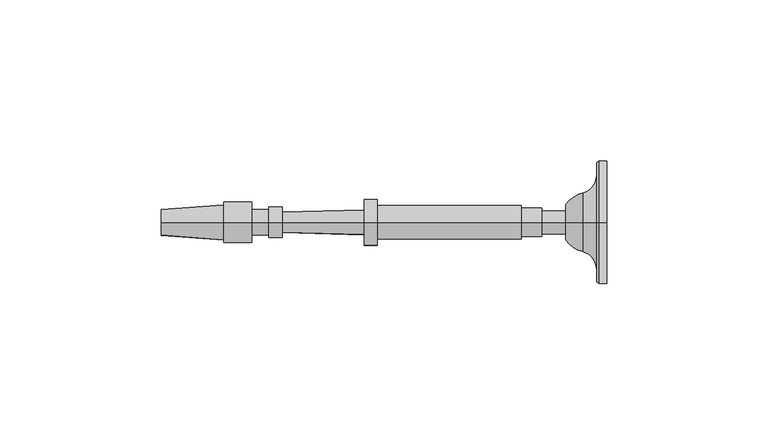
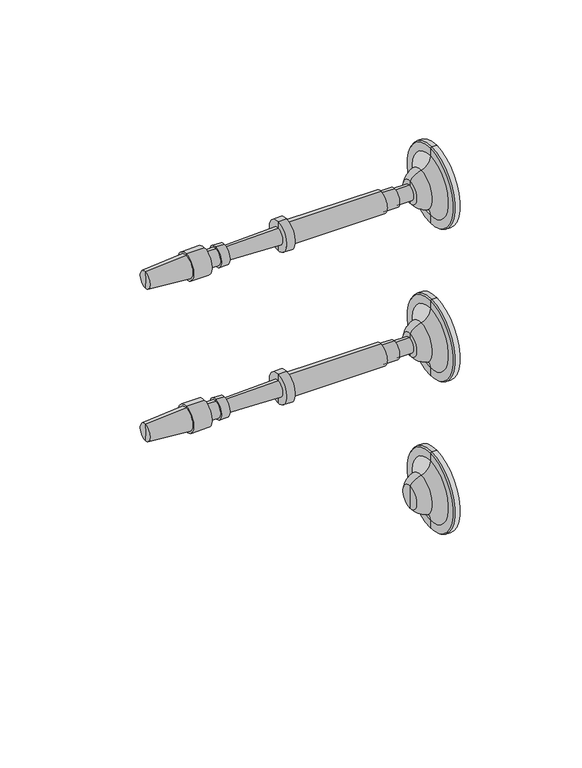
"""IFC4 building model written with IfcOpenShell, lengths in millimetres: railing geometry."""

from ifc_helpers import new_model, si_unit, point, frame, origin, place, context, project, spatial, polyline, circle_curve, ellipse_curve, trimmed, source, transform, mapped, element, save
from ifc_brep_helpers import plane_surface, cylinder_surface, revolved_surface, advanced_brep


def railing_44fb17b9(model_context):
    return source(origin(), model_context, "Body", "AdvancedBrep", [
        advanced_brep(
        [(4045.1015906, 20313.0866843, 32915.0001631), (4045.1015906, 20313.0866843, 32895.9501631), (4045.1015906, 20313.0866843, 32934.0501631), (4032.408954, 20313.0866843, 32909.4769785), (4032.408954, 20313.0866843, 32915.0001631), (4032.408954, 20313.0866843, 32920.5233478), (4037.6850504, 20313.0866843, 32905.8720381), (4037.6850504, 20313.0866843, 32924.1282881), (4042.0506754, 20313.0866843, 32900.2458254), (4042.0506754, 20313.0866843, 32929.7545009), (4042.0506754, 20313.0866843, 32896.3762941), (4042.0506754, 20313.0866843, 32933.6240321), (4042.7203406, 20313.0866843, 32895.9501631), (4042.7203406, 20313.0866843, 32934.0501631)],
        [
            (0, 1),
            (1, 2, circle_curve(frame((4045.1015906, 20313.0866843, 32915.0001631), z_axis=(1.0, 0.0, 0.0), x_axis=(0.0, 0.0, 1.0)), 19.05)),
            (2, 0),
            (2, 1, circle_curve(frame((4045.1015906, 20313.0866843, 32915.0001631), z_axis=(1.0, 0.0, 0.0), x_axis=(0.0, 0.0, 1.0)), 19.05)),
            (3, 4),
            (4, 5),
            (5, 3, circle_curve(frame((4032.408954, 20313.0866843, 32915.0001631), z_axis=(-1.0, 0.0, 0.0), x_axis=(0.0, 0.0, 1.0)), 5.5231846)),
            (3, 5, circle_curve(frame((4032.408954, 20313.0866843, 32915.0001631), z_axis=(-1.0, 0.0, 0.0), x_axis=(0.0, 0.0, 1.0)), 5.5231846)),
            (6, 3, circle_curve(frame((4040.0094591, 20313.0866843, 32914.9374304), z_axis=(0.0, 1.0, 0.0), x_axis=(-1.0, 0.0, 0.0)), 9.3586438)),
            (5, 7, circle_curve(frame((4040.0094591, 20313.0866843, 32915.0628958), z_axis=(0.0, 1.0, 0.0), x_axis=(-1.0, 0.0, 0.0)), 9.3586438)),
            (7, 6, circle_curve(frame((4037.6850504, 20313.0866843, 32915.0001631), z_axis=(-1.0, 0.0, 0.0), x_axis=(0.0, 0.0, 1.0)), 9.128125)),
            (6, 7, circle_curve(frame((4037.6850504, 20313.0866843, 32915.0001631), z_axis=(-1.0, 0.0, 0.0), x_axis=(0.0, 0.0, 1.0)), 9.128125)),
            (8, 6, circle_curve(frame((4036.2424634, 20313.0866843, 32900.2458254), z_axis=(0.0, -1.0, 0.0), x_axis=(-1.0, 0.0, 0.0)), 5.8082121)),
            (7, 9, circle_curve(frame((4036.2424634, 20313.0866843, 32929.7545009), z_axis=(0.0, -1.0, 0.0), x_axis=(-1.0, 0.0, 0.0)), 5.8082121)),
            (9, 8, circle_curve(frame((4042.0506754, 20313.0866843, 32915.0001631), z_axis=(-1.0, 0.0, 0.0), x_axis=(0.0, 0.0, 1.0)), 14.7543378)),
            (8, 9, circle_curve(frame((4042.0506754, 20313.0866843, 32915.0001631), z_axis=(-1.0, 0.0, 0.0), x_axis=(0.0, 0.0, 1.0)), 14.7543378)),
            (10, 8),
            (9, 11),
            (11, 10, circle_curve(frame((4042.0506754, 20313.0866843, 32915.0001631), z_axis=(-1.0, 0.0, 0.0), x_axis=(0.0, 0.0, 1.0)), 18.623869)),
            (10, 11, circle_curve(frame((4042.0506754, 20313.0866843, 32915.0001631), z_axis=(-1.0, 0.0, 0.0), x_axis=(0.0, 0.0, 1.0)), 18.623869)),
            (12, 10),
            (11, 13),
            (13, 12, circle_curve(frame((4042.7203406, 20313.0866843, 32915.0001631), z_axis=(-1.0, 0.0, 0.0), x_axis=(0.0, 0.0, 1.0)), 19.05)),
            (12, 13, circle_curve(frame((4042.7203406, 20313.0866843, 32915.0001631), z_axis=(-1.0, 0.0, 0.0), x_axis=(0.0, 0.0, 1.0)), 19.05)),
            (1, 12),
            (13, 2),
        ],
        [
            plane_surface(frame((4045.1015906, 20313.0866843, 32915.0001631), z_axis=(1.0, 0.0, 0.0), x_axis=(0.0, 0.0, 1.0))),
            plane_surface(frame((4032.408954, 20313.0866843, 32915.0001631), z_axis=(-1.0, 0.0, 0.0), x_axis=(0.0, 0.0, 1.0))),
            revolved_surface(trimmed(ellipse_curve(frame((4040.0094591, 20313.0866843, 32915.0628958), z_axis=(0.0, 1.0, 0.0), x_axis=(-1.0, 0.0, 0.0)), 9.3586438, 9.3586438), [point((4032.408954, 20313.0866843, 32920.5233478))], [point((4037.6850504, 20313.0866843, 32924.1282881))], True, "CARTESIAN"), (4045.1015906, 20313.0866843, 32915.0001631), (1.0, 0.0, 0.0)),
            revolved_surface(trimmed(ellipse_curve(frame((4036.2424634, 20313.0866843, 32929.7545009), z_axis=(0.0, -1.0, 0.0), x_axis=(-1.0, 0.0, 0.0)), 5.8082121, 5.8082121), [point((4037.6850504, 20313.0866843, 32924.1282881))], [point((4042.0506754, 20313.0866843, 32929.7545009))], True, "CARTESIAN"), (4045.1015906, 20313.0866843, 32915.0001631), (1.0, 0.0, 0.0)),
            plane_surface(frame((4042.0506754, 20313.0866843, 32915.0001631), z_axis=(-1.0, 0.0, 0.0), x_axis=(0.0, 0.0, 1.0))),
            revolved_surface(polyline([(4042.0506754, 20313.0866843, 32933.6240321), (4042.7203406, 20313.0866843, 32934.0501631)]), (4045.1015906, 20313.0866843, 32915.0001631), (1.0, 0.0, 0.0)),
            cylinder_surface(frame((4045.1015906, 20313.0866843, 32915.0001631), z_axis=(1.0, 0.0, 0.0), x_axis=(0.0, 0.0, 1.0)), 19.05),
        ],
        [
            (0, [[1, 2, 3]]),
            (0, [[-3, 4, -1]]),
            (1, [[5, 6, 7]]),
            (1, [[-6, -5, 8]]),
            (2, [[9, -7, 10, 11]]),
            (2, [[-10, -8, -9, 12]]),
            (3, [[13, -11, 14, 15]]),
            (3, [[-14, -12, -13, 16]]),
            (4, [[17, -15, 18, 19]]),
            (4, [[-18, -16, -17, 20]]),
            (5, [[21, -19, 22, 23]]),
            (5, [[-22, -20, -21, 24]]),
            (6, [[25, -23, 26, -2]]),
            (6, [[-26, -24, -25, -4]]),
        ],
    ),
        advanced_brep(
        [(4032.408954, 20313.0866843, 32911.4282881), (4032.408954, 20313.0866843, 32918.5720381), (4032.408954, 20313.0866843, 32915.0001631), (3907.4650648, 20313.0866843, 32915.0001631), (3907.1694004, 20313.0866843, 32919.0246235), (3907.1694004, 20313.0866843, 32910.9757028), (3926.5127644, 20313.0866843, 32920.445719), (3926.5127644, 20313.0866843, 32909.5546072), (3926.5127644, 20313.0866843, 32921.3386877), (3926.5127644, 20313.0866843, 32908.6616385), (3935.1447956, 20313.0866843, 32921.3386877), (3935.1447956, 20313.0866843, 32908.6616385), (3935.1447956, 20313.0866843, 32918.9574377), (3935.1447956, 20313.0866843, 32911.0428885), (3940.5026081, 20313.0866843, 32918.9574377), (3940.5026081, 20313.0866843, 32911.0428885), (3940.5026081, 20313.0866843, 32919.7511877), (3940.5026081, 20313.0866843, 32910.2491385), (3944.5705769, 20313.0866843, 32919.7511877), (3944.5705769, 20313.0866843, 32910.2491385), (3944.614664, 20313.0866843, 32918.1643), (3944.614664, 20313.0866843, 32911.8360262), (3970.0048672, 20313.0866843, 32918.8696944), (3970.0048672, 20313.0866843, 32911.1306319), (3970.0048672, 20313.0866843, 32922.1439131), (3970.0048672, 20313.0866843, 32907.8564131), (3973.9736172, 20313.0866843, 32922.1439131), (3973.9736172, 20313.0866843, 32907.8564131), (3973.9736172, 20313.0866843, 32920.1595381), (3973.9736172, 20313.0866843, 32909.8407881), (4018.7212735, 20313.0866843, 32920.1595381), (4018.7212735, 20313.0866843, 32909.8407881), (4018.7212735, 20313.0866843, 32919.3657881), (4018.7212735, 20313.0866843, 32910.6345381), (4025.0712735, 20313.0866843, 32919.3657881), (4025.0712735, 20313.0866843, 32910.6345381), (4025.0712735, 20313.0866843, 32918.5720381), (4025.0712735, 20313.0866843, 32911.4282881)],
        [
            (0, 1, circle_curve(frame((4032.408954, 20313.0866843, 32915.0001631), z_axis=(1.0, 0.0, 0.0), x_axis=(0.0, 0.0, 1.0000000000000002)), 3.571875)),
            (1, 2),
            (2, 0),
            (1, 0, circle_curve(frame((4032.408954, 20313.0866843, 32915.0001631), z_axis=(1.0, 0.0, 0.0), x_axis=(0.0, 0.0, 1.0000000000000002)), 3.571875)),
            (3, 4),
            (4, 5, circle_curve(frame((3907.1694004, 20313.0866843, 32915.0001631), z_axis=(-1.0, 0.0, 0.0), x_axis=(0.0, 0.0, 1.0000000000000002)), 4.0244604)),
            (5, 3),
            (5, 4, circle_curve(frame((3907.1694004, 20313.0866843, 32915.0001631), z_axis=(-1.0, 0.0, 0.0), x_axis=(0.0, 0.0, 1.0000000000000002)), 4.0244604)),
            (4, 6),
            (6, 7, circle_curve(frame((3926.5127644, 20313.0866843, 32915.0001631), z_axis=(-1.0, 0.0, 0.0), x_axis=(0.0, 0.0, 1.0000000000000002)), 5.4455559)),
            (7, 5),
            (7, 6, circle_curve(frame((3926.5127644, 20313.0866843, 32915.0001631), z_axis=(-1.0, 0.0, 0.0), x_axis=(0.0, 0.0, 1.0000000000000002)), 5.4455559)),
            (6, 8),
            (8, 9, circle_curve(frame((3926.5127644, 20313.0866843, 32915.0001631), z_axis=(-1.0, 0.0, 0.0), x_axis=(0.0, 0.0, 1.0000000000000002)), 6.3385246)),
            (9, 7),
            (9, 8, circle_curve(frame((3926.5127644, 20313.0866843, 32915.0001631), z_axis=(-1.0, 0.0, 0.0), x_axis=(0.0, 0.0, 1.0000000000000002)), 6.3385246)),
            (8, 10),
            (10, 11, circle_curve(frame((3935.1447956, 20313.0866843, 32915.0001631), z_axis=(-1.0, 0.0, 0.0), x_axis=(0.0, 0.0, 1.0000000000000002)), 6.3385246)),
            (11, 9),
            (11, 10, circle_curve(frame((3935.1447956, 20313.0866843, 32915.0001631), z_axis=(-1.0, 0.0, 0.0), x_axis=(0.0, 0.0, 1.0000000000000002)), 6.3385246)),
            (10, 12),
            (12, 13, circle_curve(frame((3935.1447956, 20313.0866843, 32915.0001631), z_axis=(-1.0, 0.0, 0.0), x_axis=(0.0, 0.0, 1.0000000000000002)), 3.9572746)),
            (13, 11),
            (13, 12, circle_curve(frame((3935.1447956, 20313.0866843, 32915.0001631), z_axis=(-1.0, 0.0, 0.0), x_axis=(0.0, 0.0, 1.0000000000000002)), 3.9572746)),
            (12, 14),
            (14, 15, circle_curve(frame((3940.5026081, 20313.0866843, 32915.0001631), z_axis=(-1.0, 0.0, 0.0), x_axis=(0.0, 0.0, 1.0000000000000002)), 3.9572746)),
            (15, 13),
            (15, 14, circle_curve(frame((3940.5026081, 20313.0866843, 32915.0001631), z_axis=(-1.0, 0.0, 0.0), x_axis=(0.0, 0.0, 1.0000000000000002)), 3.9572746)),
            (14, 16),
            (16, 17, circle_curve(frame((3940.5026081, 20313.0866843, 32915.0001631), z_axis=(-1.0, 0.0, 0.0), x_axis=(0.0, 0.0, 1.0000000000000002)), 4.7510246)),
            (17, 15),
            (17, 16, circle_curve(frame((3940.5026081, 20313.0866843, 32915.0001631), z_axis=(-1.0, 0.0, 0.0), x_axis=(0.0, 0.0, 1.0000000000000002)), 4.7510246)),
            (16, 18),
            (18, 19, circle_curve(frame((3944.5705769, 20313.0866843, 32915.0001631), z_axis=(-1.0, 0.0, 0.0), x_axis=(0.0, 0.0, 1.0000000000000002)), 4.7510246)),
            (19, 17),
            (19, 18, circle_curve(frame((3944.5705769, 20313.0866843, 32915.0001631), z_axis=(-1.0, 0.0, 0.0), x_axis=(0.0, 0.0, 1.0000000000000002)), 4.7510246)),
            (18, 20),
            (20, 21, circle_curve(frame((3944.614664, 20313.0866843, 32915.0001631), z_axis=(-1.0, 0.0, 0.0), x_axis=(0.0, 0.0, 1.0000000000000002)), 3.1641369)),
            (21, 19),
            (21, 20, circle_curve(frame((3944.614664, 20313.0866843, 32915.0001631), z_axis=(-1.0, 0.0, 0.0), x_axis=(0.0, 0.0, 1.0000000000000002)), 3.1641369)),
            (20, 22),
            (22, 23, circle_curve(frame((3970.0048672, 20313.0866843, 32915.0001631), z_axis=(-1.0, 0.0, 0.0), x_axis=(0.0, 0.0, 1.0000000000000002)), 3.8695313)),
            (23, 21),
            (23, 22, circle_curve(frame((3970.0048672, 20313.0866843, 32915.0001631), z_axis=(-1.0, 0.0, 0.0), x_axis=(0.0, 0.0, 1.0000000000000002)), 3.8695313)),
            (22, 24),
            (24, 25, circle_curve(frame((3970.0048672, 20313.0866843, 32915.0001631), z_axis=(-1.0, 0.0, 0.0), x_axis=(0.0, 0.0, 1.0000000000000002)), 7.14375)),
            (25, 23),
            (25, 24, circle_curve(frame((3970.0048672, 20313.0866843, 32915.0001631), z_axis=(-1.0, 0.0, 0.0), x_axis=(0.0, 0.0, 1.0000000000000002)), 7.14375)),
            (24, 26),
            (26, 27, circle_curve(frame((3973.9736172, 20313.0866843, 32915.0001631), z_axis=(-1.0, 0.0, 0.0), x_axis=(0.0, 0.0, 1.0000000000000002)), 7.14375)),
            (27, 25),
            (27, 26, circle_curve(frame((3973.9736172, 20313.0866843, 32915.0001631), z_axis=(-1.0, 0.0, 0.0), x_axis=(0.0, 0.0, 1.0000000000000002)), 7.14375)),
            (26, 28),
            (28, 29, circle_curve(frame((3973.9736172, 20313.0866843, 32915.0001631), z_axis=(-1.0, 0.0, 0.0), x_axis=(0.0, 0.0, 1.0000000000000002)), 5.159375)),
            (29, 27),
            (29, 28, circle_curve(frame((3973.9736172, 20313.0866843, 32915.0001631), z_axis=(-1.0, 0.0, 0.0), x_axis=(0.0, 0.0, 1.0000000000000002)), 5.159375)),
            (28, 30),
            (30, 31, circle_curve(frame((4018.7212735, 20313.0866843, 32915.0001631), z_axis=(-1.0, 0.0, 0.0), x_axis=(0.0, 0.0, 1.0000000000000002)), 5.159375)),
            (31, 29),
            (31, 30, circle_curve(frame((4018.7212735, 20313.0866843, 32915.0001631), z_axis=(-1.0, 0.0, 0.0), x_axis=(0.0, 0.0, 1.0000000000000002)), 5.159375)),
            (30, 32),
            (32, 33, circle_curve(frame((4018.7212735, 20313.0866843, 32915.0001631), z_axis=(-1.0, 0.0, 0.0), x_axis=(0.0, 0.0, 1.0000000000000002)), 4.365625)),
            (33, 31),
            (33, 32, circle_curve(frame((4018.7212735, 20313.0866843, 32915.0001631), z_axis=(-1.0, 0.0, 0.0), x_axis=(0.0, 0.0, 1.0000000000000002)), 4.365625)),
            (32, 34),
            (34, 35, circle_curve(frame((4025.0712735, 20313.0866843, 32915.0001631), z_axis=(-1.0, 0.0, 0.0), x_axis=(0.0, 0.0, 1.0000000000000002)), 4.365625)),
            (35, 33),
            (35, 34, circle_curve(frame((4025.0712735, 20313.0866843, 32915.0001631), z_axis=(-1.0, 0.0, 0.0), x_axis=(0.0, 0.0, 1.0000000000000002)), 4.365625)),
            (34, 36),
            (36, 37, circle_curve(frame((4025.0712735, 20313.0866843, 32915.0001631), z_axis=(-1.0, 0.0, 0.0), x_axis=(0.0, 0.0, 1.0000000000000002)), 3.571875)),
            (37, 35),
            (37, 36, circle_curve(frame((4025.0712735, 20313.0866843, 32915.0001631), z_axis=(-1.0, 0.0, 0.0), x_axis=(0.0, 0.0, 1.0000000000000002)), 3.571875)),
            (36, 1),
            (0, 37),
        ],
        [
            plane_surface(frame((4032.408954, 20313.0866843, 32915.0001631), z_axis=(1.0, 0.0, 0.0), x_axis=(0.0, 0.0, 1.0))),
            revolved_surface(polyline([(3907.1694004, 20313.0866843, 32919.0246235), (3907.4650648, 20313.0866843, 32915.0001631)]), (3907.4650648, 20313.0866843, 32915.0001631), (-1.0, 0.0, 0.0)),
            revolved_surface(polyline([(3926.5127644, 20313.0866843, 32920.445719), (3907.1694004, 20313.0866843, 32919.0246235)]), (3907.4650648, 20313.0866843, 32915.0001631), (-1.0, 0.0, 0.0)),
            plane_surface(frame((3926.5127644, 20313.0866843, 32915.0001631), z_axis=(-1.0, 0.0, 0.0), x_axis=(0.0, 0.0, 1.0))),
            cylinder_surface(frame((3907.4650648, 20313.0866843, 32915.0001631), z_axis=(-1.0, 0.0, 0.0), x_axis=(0.0, 0.0, 1.0000000000000002)), 6.3385246),
            plane_surface(frame((3935.1447956, 20313.0866843, 32915.0001631), z_axis=(1.0, 0.0, 0.0), x_axis=(0.0, 0.0, 1.0))),
            cylinder_surface(frame((3907.4650648, 20313.0866843, 32915.0001631), z_axis=(-1.0, 0.0, 0.0), x_axis=(0.0, 0.0, 1.0000000000000002)), 3.9572746),
            plane_surface(frame((3940.5026081, 20313.0866843, 32915.0001631), z_axis=(-1.0, 0.0, 0.0), x_axis=(0.0, 0.0, 1.0))),
            cylinder_surface(frame((3907.4650648, 20313.0866843, 32915.0001631), z_axis=(-1.0, 0.0, 0.0), x_axis=(0.0, 0.0, 1.0000000000000002)), 4.7510246),
            plane_surface(frame((3944.614664, 20313.0866843, 32915.0001631), z_axis=(1.0, 0.0, 0.0), x_axis=(0.0, 0.0, 1.0))),
            revolved_surface(polyline([(3970.0048672, 20313.0866843, 32918.8696944), (3944.614664, 20313.0866843, 32918.1643)]), (3907.4650648, 20313.0866843, 32915.0001631), (-1.0, 0.0, 0.0)),
            plane_surface(frame((3970.0048672, 20313.0866843, 32915.0001631), z_axis=(-1.0, 0.0, 0.0), x_axis=(0.0, 0.0, 1.0))),
            cylinder_surface(frame((3907.4650648, 20313.0866843, 32915.0001631), z_axis=(-1.0, 0.0, 0.0), x_axis=(0.0, 0.0, 1.0000000000000002)), 7.14375),
            plane_surface(frame((3973.9736172, 20313.0866843, 32915.0001631), z_axis=(1.0, 0.0, 0.0), x_axis=(0.0, 0.0, 1.0))),
            cylinder_surface(frame((3907.4650648, 20313.0866843, 32915.0001631), z_axis=(-1.0, 0.0, 0.0), x_axis=(0.0, 0.0, 1.0000000000000002)), 5.159375),
            plane_surface(frame((4018.7212735, 20313.0866843, 32915.0001631), z_axis=(1.0, 0.0, 0.0), x_axis=(0.0, 0.0, 1.0))),
            cylinder_surface(frame((3907.4650648, 20313.0866843, 32915.0001631), z_axis=(-1.0, 0.0, 0.0), x_axis=(0.0, 0.0, 1.0000000000000002)), 4.365625),
            plane_surface(frame((4025.0712735, 20313.0866843, 32915.0001631), z_axis=(1.0, 0.0, 0.0), x_axis=(0.0, 0.0, 1.0))),
            cylinder_surface(frame((3907.4650648, 20313.0866843, 32915.0001631), z_axis=(-1.0, 0.0, 0.0), x_axis=(0.0, 0.0, 1.0000000000000002)), 3.571875),
        ],
        [
            (0, [[1, 2, 3]]),
            (0, [[4, -3, -2]]),
            (1, [[5, 6, 7]]),
            (1, [[-7, 8, -5]]),
            (2, [[-6, 9, 10, 11]]),
            (2, [[-8, -11, 12, -9]]),
            (3, [[-10, 13, 14, 15]]),
            (3, [[-12, -15, 16, -13]]),
            (4, [[-14, 17, 18, 19]]),
            (4, [[-16, -19, 20, -17]]),
            (5, [[-18, 21, 22, 23]]),
            (5, [[-20, -23, 24, -21]]),
            (6, [[-22, 25, 26, 27]]),
            (6, [[-24, -27, 28, -25]]),
            (7, [[-26, 29, 30, 31]]),
            (7, [[-28, -31, 32, -29]]),
            (8, [[-30, 33, 34, 35]]),
            (8, [[-32, -35, 36, -33]]),
            (9, [[-34, 37, 38, 39]]),
            (9, [[-36, -39, 40, -37]]),
            (10, [[-38, 41, 42, 43]]),
            (10, [[-40, -43, 44, -41]]),
            (11, [[-42, 45, 46, 47]]),
            (11, [[-44, -47, 48, -45]]),
            (12, [[-46, 49, 50, 51]]),
            (12, [[-48, -51, 52, -49]]),
            (13, [[-50, 53, 54, 55]]),
            (13, [[-52, -55, 56, -53]]),
            (14, [[-54, 57, 58, 59]]),
            (14, [[-56, -59, 60, -57]]),
            (15, [[-58, 61, 62, 63]]),
            (15, [[-60, -63, 64, -61]]),
            (16, [[-62, 65, 66, 67]]),
            (16, [[-64, -67, 68, -65]]),
            (17, [[-66, 69, 70, 71]]),
            (17, [[-68, -71, 72, -69]]),
            (18, [[-70, 73, -1, 74]]),
            (18, [[-72, -74, -4, -73]]),
        ],
    ),
        advanced_brep(
        [(4045.1015906, 20313.0866843, 32838.8001631), (4045.1015906, 20313.0866843, 32819.7501631), (4045.1015906, 20313.0866843, 32857.8501631), (4032.408954, 20313.0866843, 32833.2769785), (4032.408954, 20313.0866843, 32838.8001631), (4032.408954, 20313.0866843, 32844.3233478), (4037.6850504, 20313.0866843, 32829.6720381), (4037.6850504, 20313.0866843, 32847.9282881), (4042.0506754, 20313.0866843, 32824.0458254), (4042.0506754, 20313.0866843, 32853.5545009), (4042.0506754, 20313.0866843, 32820.1762941), (4042.0506754, 20313.0866843, 32857.4240321), (4042.7203406, 20313.0866843, 32819.7501631), (4042.7203406, 20313.0866843, 32857.8501631)],
        [
            (0, 1),
            (1, 2, circle_curve(frame((4045.1015906, 20313.0866843, 32838.8001631), z_axis=(1.0, 0.0, 0.0), x_axis=(0.0, 0.0, 1.0)), 19.05)),
            (2, 0),
            (2, 1, circle_curve(frame((4045.1015906, 20313.0866843, 32838.8001631), z_axis=(1.0, 0.0, 0.0), x_axis=(0.0, 0.0, 1.0)), 19.05)),
            (3, 4),
            (4, 5),
            (5, 3, circle_curve(frame((4032.408954, 20313.0866843, 32838.8001631), z_axis=(-1.0, 0.0, 0.0), x_axis=(0.0, 0.0, 1.0)), 5.5231846)),
            (3, 5, circle_curve(frame((4032.408954, 20313.0866843, 32838.8001631), z_axis=(-1.0, 0.0, 0.0), x_axis=(0.0, 0.0, 1.0)), 5.5231846)),
            (6, 3, circle_curve(frame((4040.0094591, 20313.0866843, 32838.7374304), z_axis=(0.0, 1.0, 0.0), x_axis=(-1.0, 0.0, 0.0)), 9.3586438)),
            (5, 7, circle_curve(frame((4040.0094591, 20313.0866843, 32838.8628958), z_axis=(0.0, 1.0, 0.0), x_axis=(-1.0, 0.0, 0.0)), 9.3586438)),
            (7, 6, circle_curve(frame((4037.6850504, 20313.0866843, 32838.8001631), z_axis=(-1.0, 0.0, 0.0), x_axis=(0.0, 0.0, 1.0)), 9.128125)),
            (6, 7, circle_curve(frame((4037.6850504, 20313.0866843, 32838.8001631), z_axis=(-1.0, 0.0, 0.0), x_axis=(0.0, 0.0, 1.0)), 9.128125)),
            (8, 6, circle_curve(frame((4036.2424634, 20313.0866843, 32824.0458254), z_axis=(0.0, -1.0, 0.0), x_axis=(-1.0, 0.0, 0.0)), 5.8082121)),
            (7, 9, circle_curve(frame((4036.2424634, 20313.0866843, 32853.5545009), z_axis=(0.0, -1.0, 0.0), x_axis=(-1.0, 0.0, 0.0)), 5.8082121)),
            (9, 8, circle_curve(frame((4042.0506754, 20313.0866843, 32838.8001631), z_axis=(-1.0, 0.0, 0.0), x_axis=(0.0, 0.0, 1.0)), 14.7543378)),
            (8, 9, circle_curve(frame((4042.0506754, 20313.0866843, 32838.8001631), z_axis=(-1.0, 0.0, 0.0), x_axis=(0.0, 0.0, 1.0)), 14.7543378)),
            (10, 8),
            (9, 11),
            (11, 10, circle_curve(frame((4042.0506754, 20313.0866843, 32838.8001631), z_axis=(-1.0, 0.0, 0.0), x_axis=(0.0, 0.0, 1.0)), 18.623869)),
            (10, 11, circle_curve(frame((4042.0506754, 20313.0866843, 32838.8001631), z_axis=(-1.0, 0.0, 0.0), x_axis=(0.0, 0.0, 1.0)), 18.623869)),
            (12, 10),
            (11, 13),
            (13, 12, circle_curve(frame((4042.7203406, 20313.0866843, 32838.8001631), z_axis=(-1.0, 0.0, 0.0), x_axis=(0.0, 0.0, 1.0)), 19.05)),
            (12, 13, circle_curve(frame((4042.7203406, 20313.0866843, 32838.8001631), z_axis=(-1.0, 0.0, 0.0), x_axis=(0.0, 0.0, 1.0)), 19.05)),
            (1, 12),
            (13, 2),
        ],
        [
            plane_surface(frame((4045.1015906, 20313.0866843, 32838.8001631), z_axis=(1.0, 0.0, 0.0), x_axis=(0.0, 0.0, 1.0))),
            plane_surface(frame((4032.408954, 20313.0866843, 32838.8001631), z_axis=(-1.0, 0.0, 0.0), x_axis=(0.0, 0.0, 1.0))),
            revolved_surface(trimmed(ellipse_curve(frame((4040.0094591, 20313.0866843, 32838.8628958), z_axis=(0.0, 1.0, 0.0), x_axis=(-1.0, 0.0, 0.0)), 9.3586438, 9.3586438), [point((4032.408954, 20313.0866843, 32844.3233478))], [point((4037.6850504, 20313.0866843, 32847.9282881))], True, "CARTESIAN"), (4045.1015906, 20313.0866843, 32838.8001631), (1.0, 0.0, 0.0)),
            revolved_surface(trimmed(ellipse_curve(frame((4036.2424634, 20313.0866843, 32853.5545009), z_axis=(0.0, -1.0, 0.0), x_axis=(-1.0, 0.0, 0.0)), 5.8082121, 5.8082121), [point((4037.6850504, 20313.0866843, 32847.9282881))], [point((4042.0506754, 20313.0866843, 32853.5545009))], True, "CARTESIAN"), (4045.1015906, 20313.0866843, 32838.8001631), (1.0, 0.0, 0.0)),
            plane_surface(frame((4042.0506754, 20313.0866843, 32838.8001631), z_axis=(-1.0, 0.0, 0.0), x_axis=(0.0, 0.0, 1.0))),
            revolved_surface(polyline([(4042.0506754, 20313.0866843, 32857.4240321), (4042.7203406, 20313.0866843, 32857.8501631)]), (4045.1015906, 20313.0866843, 32838.8001631), (1.0, 0.0, 0.0)),
            cylinder_surface(frame((4045.1015906, 20313.0866843, 32838.8001631), z_axis=(1.0, 0.0, 0.0), x_axis=(0.0, 0.0, 1.0)), 19.05),
        ],
        [
            (0, [[1, 2, 3]]),
            (0, [[-3, 4, -1]]),
            (1, [[5, 6, 7]]),
            (1, [[-6, -5, 8]]),
            (2, [[9, -7, 10, 11]]),
            (2, [[-10, -8, -9, 12]]),
            (3, [[13, -11, 14, 15]]),
            (3, [[-14, -12, -13, 16]]),
            (4, [[17, -15, 18, 19]]),
            (4, [[-18, -16, -17, 20]]),
            (5, [[21, -19, 22, 23]]),
            (5, [[-22, -20, -21, 24]]),
            (6, [[25, -23, 26, -2]]),
            (6, [[-26, -24, -25, -4]]),
        ],
    ),
        advanced_brep(
        [(4032.408954, 20313.0866843, 32835.2282881), (4032.408954, 20313.0866843, 32842.3720381), (4032.408954, 20313.0866843, 32838.8001631), (3907.4650648, 20313.0866843, 32838.8001631), (3907.1694004, 20313.0866843, 32842.8246235), (3907.1694004, 20313.0866843, 32834.7757028), (3926.5127644, 20313.0866843, 32844.245719), (3926.5127644, 20313.0866843, 32833.3546072), (3926.5127644, 20313.0866843, 32845.1386877), (3926.5127644, 20313.0866843, 32832.4616385), (3935.1447956, 20313.0866843, 32845.1386877), (3935.1447956, 20313.0866843, 32832.4616385), (3935.1447956, 20313.0866843, 32842.7574377), (3935.1447956, 20313.0866843, 32834.8428885), (3940.5026081, 20313.0866843, 32842.7574377), (3940.5026081, 20313.0866843, 32834.8428885), (3940.5026081, 20313.0866843, 32843.5511877), (3940.5026081, 20313.0866843, 32834.0491385), (3944.5705769, 20313.0866843, 32843.5511877), (3944.5705769, 20313.0866843, 32834.0491385), (3944.614664, 20313.0866843, 32841.9643), (3944.614664, 20313.0866843, 32835.6360262), (3970.0048672, 20313.0866843, 32842.6696944), (3970.0048672, 20313.0866843, 32834.9306319), (3970.0048672, 20313.0866843, 32845.9439131), (3970.0048672, 20313.0866843, 32831.6564131), (3973.9736172, 20313.0866843, 32845.9439131), (3973.9736172, 20313.0866843, 32831.6564131), (3973.9736172, 20313.0866843, 32843.9595381), (3973.9736172, 20313.0866843, 32833.6407881), (4018.7212735, 20313.0866843, 32843.9595381), (4018.7212735, 20313.0866843, 32833.6407881), (4018.7212735, 20313.0866843, 32843.1657881), (4018.7212735, 20313.0866843, 32834.4345381), (4025.0712735, 20313.0866843, 32843.1657881), (4025.0712735, 20313.0866843, 32834.4345381), (4025.0712735, 20313.0866843, 32842.3720381), (4025.0712735, 20313.0866843, 32835.2282881)],
        [
            (0, 1, circle_curve(frame((4032.408954, 20313.0866843, 32838.8001631), z_axis=(1.0, 0.0, 0.0), x_axis=(0.0, 0.0, 1.0000000000000002)), 3.571875)),
            (1, 2),
            (2, 0),
            (1, 0, circle_curve(frame((4032.408954, 20313.0866843, 32838.8001631), z_axis=(1.0, 0.0, 0.0), x_axis=(0.0, 0.0, 1.0000000000000002)), 3.571875)),
            (3, 4),
            (4, 5, circle_curve(frame((3907.1694004, 20313.0866843, 32838.8001631), z_axis=(-1.0, 0.0, 0.0), x_axis=(0.0, 0.0, 1.0000000000000002)), 4.0244604)),
            (5, 3),
            (5, 4, circle_curve(frame((3907.1694004, 20313.0866843, 32838.8001631), z_axis=(-1.0, 0.0, 0.0), x_axis=(0.0, 0.0, 1.0000000000000002)), 4.0244604)),
            (4, 6),
            (6, 7, circle_curve(frame((3926.5127644, 20313.0866843, 32838.8001631), z_axis=(-1.0, 0.0, 0.0), x_axis=(0.0, 0.0, 1.0000000000000002)), 5.4455559)),
            (7, 5),
            (7, 6, circle_curve(frame((3926.5127644, 20313.0866843, 32838.8001631), z_axis=(-1.0, 0.0, 0.0), x_axis=(0.0, 0.0, 1.0000000000000002)), 5.4455559)),
            (6, 8),
            (8, 9, circle_curve(frame((3926.5127644, 20313.0866843, 32838.8001631), z_axis=(-1.0, 0.0, 0.0), x_axis=(0.0, 0.0, 1.0000000000000002)), 6.3385246)),
            (9, 7),
            (9, 8, circle_curve(frame((3926.5127644, 20313.0866843, 32838.8001631), z_axis=(-1.0, 0.0, 0.0), x_axis=(0.0, 0.0, 1.0000000000000002)), 6.3385246)),
            (8, 10),
            (10, 11, circle_curve(frame((3935.1447956, 20313.0866843, 32838.8001631), z_axis=(-1.0, 0.0, 0.0), x_axis=(0.0, 0.0, 1.0000000000000002)), 6.3385246)),
            (11, 9),
            (11, 10, circle_curve(frame((3935.1447956, 20313.0866843, 32838.8001631), z_axis=(-1.0, 0.0, 0.0), x_axis=(0.0, 0.0, 1.0000000000000002)), 6.3385246)),
            (10, 12),
            (12, 13, circle_curve(frame((3935.1447956, 20313.0866843, 32838.8001631), z_axis=(-1.0, 0.0, 0.0), x_axis=(0.0, 0.0, 1.0000000000000002)), 3.9572746)),
            (13, 11),
            (13, 12, circle_curve(frame((3935.1447956, 20313.0866843, 32838.8001631), z_axis=(-1.0, 0.0, 0.0), x_axis=(0.0, 0.0, 1.0000000000000002)), 3.9572746)),
            (12, 14),
            (14, 15, circle_curve(frame((3940.5026081, 20313.0866843, 32838.8001631), z_axis=(-1.0, 0.0, 0.0), x_axis=(0.0, 0.0, 1.0000000000000002)), 3.9572746)),
            (15, 13),
            (15, 14, circle_curve(frame((3940.5026081, 20313.0866843, 32838.8001631), z_axis=(-1.0, 0.0, 0.0), x_axis=(0.0, 0.0, 1.0000000000000002)), 3.9572746)),
            (14, 16),
            (16, 17, circle_curve(frame((3940.5026081, 20313.0866843, 32838.8001631), z_axis=(-1.0, 0.0, 0.0), x_axis=(0.0, 0.0, 1.0000000000000002)), 4.7510246)),
            (17, 15),
            (17, 16, circle_curve(frame((3940.5026081, 20313.0866843, 32838.8001631), z_axis=(-1.0, 0.0, 0.0), x_axis=(0.0, 0.0, 1.0000000000000002)), 4.7510246)),
            (16, 18),
            (18, 19, circle_curve(frame((3944.5705769, 20313.0866843, 32838.8001631), z_axis=(-1.0, 0.0, 0.0), x_axis=(0.0, 0.0, 1.0000000000000002)), 4.7510246)),
            (19, 17),
            (19, 18, circle_curve(frame((3944.5705769, 20313.0866843, 32838.8001631), z_axis=(-1.0, 0.0, 0.0), x_axis=(0.0, 0.0, 1.0000000000000002)), 4.7510246)),
            (18, 20),
            (20, 21, circle_curve(frame((3944.614664, 20313.0866843, 32838.8001631), z_axis=(-1.0, 0.0, 0.0), x_axis=(0.0, 0.0, 1.0000000000000002)), 3.1641369)),
            (21, 19),
            (21, 20, circle_curve(frame((3944.614664, 20313.0866843, 32838.8001631), z_axis=(-1.0, 0.0, 0.0), x_axis=(0.0, 0.0, 1.0000000000000002)), 3.1641369)),
            (20, 22),
            (22, 23, circle_curve(frame((3970.0048672, 20313.0866843, 32838.8001631), z_axis=(-1.0, 0.0, 0.0), x_axis=(0.0, 0.0, 1.0000000000000002)), 3.8695313)),
            (23, 21),
            (23, 22, circle_curve(frame((3970.0048672, 20313.0866843, 32838.8001631), z_axis=(-1.0, 0.0, 0.0), x_axis=(0.0, 0.0, 1.0000000000000002)), 3.8695313)),
            (22, 24),
            (24, 25, circle_curve(frame((3970.0048672, 20313.0866843, 32838.8001631), z_axis=(-1.0, 0.0, 0.0), x_axis=(0.0, 0.0, 1.0000000000000002)), 7.14375)),
            (25, 23),
            (25, 24, circle_curve(frame((3970.0048672, 20313.0866843, 32838.8001631), z_axis=(-1.0, 0.0, 0.0), x_axis=(0.0, 0.0, 1.0000000000000002)), 7.14375)),
            (24, 26),
            (26, 27, circle_curve(frame((3973.9736172, 20313.0866843, 32838.8001631), z_axis=(-1.0, 0.0, 0.0), x_axis=(0.0, 0.0, 1.0000000000000002)), 7.14375)),
            (27, 25),
            (27, 26, circle_curve(frame((3973.9736172, 20313.0866843, 32838.8001631), z_axis=(-1.0, 0.0, 0.0), x_axis=(0.0, 0.0, 1.0000000000000002)), 7.14375)),
            (26, 28),
            (28, 29, circle_curve(frame((3973.9736172, 20313.0866843, 32838.8001631), z_axis=(-1.0, 0.0, 0.0), x_axis=(0.0, 0.0, 1.0000000000000002)), 5.159375)),
            (29, 27),
            (29, 28, circle_curve(frame((3973.9736172, 20313.0866843, 32838.8001631), z_axis=(-1.0, 0.0, 0.0), x_axis=(0.0, 0.0, 1.0000000000000002)), 5.159375)),
            (28, 30),
            (30, 31, circle_curve(frame((4018.7212735, 20313.0866843, 32838.8001631), z_axis=(-1.0, 0.0, 0.0), x_axis=(0.0, 0.0, 1.0000000000000002)), 5.159375)),
            (31, 29),
            (31, 30, circle_curve(frame((4018.7212735, 20313.0866843, 32838.8001631), z_axis=(-1.0, 0.0, 0.0), x_axis=(0.0, 0.0, 1.0000000000000002)), 5.159375)),
            (30, 32),
            (32, 33, circle_curve(frame((4018.7212735, 20313.0866843, 32838.8001631), z_axis=(-1.0, 0.0, 0.0), x_axis=(0.0, 0.0, 1.0000000000000002)), 4.365625)),
            (33, 31),
            (33, 32, circle_curve(frame((4018.7212735, 20313.0866843, 32838.8001631), z_axis=(-1.0, 0.0, 0.0), x_axis=(0.0, 0.0, 1.0000000000000002)), 4.365625)),
            (32, 34),
            (34, 35, circle_curve(frame((4025.0712735, 20313.0866843, 32838.8001631), z_axis=(-1.0, 0.0, 0.0), x_axis=(0.0, 0.0, 1.0000000000000002)), 4.365625)),
            (35, 33),
            (35, 34, circle_curve(frame((4025.0712735, 20313.0866843, 32838.8001631), z_axis=(-1.0, 0.0, 0.0), x_axis=(0.0, 0.0, 1.0000000000000002)), 4.365625)),
            (34, 36),
            (36, 37, circle_curve(frame((4025.0712735, 20313.0866843, 32838.8001631), z_axis=(-1.0, 0.0, 0.0), x_axis=(0.0, 0.0, 1.0000000000000002)), 3.571875)),
            (37, 35),
            (37, 36, circle_curve(frame((4025.0712735, 20313.0866843, 32838.8001631), z_axis=(-1.0, 0.0, 0.0), x_axis=(0.0, 0.0, 1.0000000000000002)), 3.571875)),
            (36, 1),
            (0, 37),
        ],
        [
            plane_surface(frame((4032.408954, 20313.0866843, 32838.8001631), z_axis=(1.0, 0.0, 0.0), x_axis=(0.0, 0.0, 1.0))),
            revolved_surface(polyline([(3907.1694004, 20313.0866843, 32842.8246235), (3907.4650648, 20313.0866843, 32838.8001631)]), (3907.4650648, 20313.0866843, 32838.8001631), (-1.0, 0.0, 0.0)),
            revolved_surface(polyline([(3926.5127644, 20313.0866843, 32844.245719), (3907.1694004, 20313.0866843, 32842.8246235)]), (3907.4650648, 20313.0866843, 32838.8001631), (-1.0, 0.0, 0.0)),
            plane_surface(frame((3926.5127644, 20313.0866843, 32838.8001631), z_axis=(-1.0, 0.0, 0.0), x_axis=(0.0, 0.0, 1.0))),
            cylinder_surface(frame((3907.4650648, 20313.0866843, 32838.8001631), z_axis=(-1.0, 0.0, 0.0), x_axis=(0.0, 0.0, 1.0000000000000002)), 6.3385246),
            plane_surface(frame((3935.1447956, 20313.0866843, 32838.8001631), z_axis=(1.0, 0.0, 0.0), x_axis=(0.0, 0.0, 1.0))),
            cylinder_surface(frame((3907.4650648, 20313.0866843, 32838.8001631), z_axis=(-1.0, 0.0, 0.0), x_axis=(0.0, 0.0, 1.0000000000000002)), 3.9572746),
            plane_surface(frame((3940.5026081, 20313.0866843, 32838.8001631), z_axis=(-1.0, 0.0, 0.0), x_axis=(0.0, 0.0, 1.0))),
            cylinder_surface(frame((3907.4650648, 20313.0866843, 32838.8001631), z_axis=(-1.0, 0.0, 0.0), x_axis=(0.0, 0.0, 1.0000000000000002)), 4.7510246),
            plane_surface(frame((3944.614664, 20313.0866843, 32838.8001631), z_axis=(1.0, 0.0, 0.0), x_axis=(0.0, 0.0, 1.0))),
            revolved_surface(polyline([(3970.0048672, 20313.0866843, 32842.6696944), (3944.614664, 20313.0866843, 32841.9643)]), (3907.4650648, 20313.0866843, 32838.8001631), (-1.0, 0.0, 0.0)),
            plane_surface(frame((3970.0048672, 20313.0866843, 32838.8001631), z_axis=(-1.0, 0.0, 0.0), x_axis=(0.0, 0.0, 1.0))),
            cylinder_surface(frame((3907.4650648, 20313.0866843, 32838.8001631), z_axis=(-1.0, 0.0, 0.0), x_axis=(0.0, 0.0, 1.0000000000000002)), 7.14375),
            plane_surface(frame((3973.9736172, 20313.0866843, 32838.8001631), z_axis=(1.0, 0.0, 0.0), x_axis=(0.0, 0.0, 1.0))),
            cylinder_surface(frame((3907.4650648, 20313.0866843, 32838.8001631), z_axis=(-1.0, 0.0, 0.0), x_axis=(0.0, 0.0, 1.0000000000000002)), 5.159375),
            plane_surface(frame((4018.7212735, 20313.0866843, 32838.8001631), z_axis=(1.0, 0.0, 0.0), x_axis=(0.0, 0.0, 1.0))),
            cylinder_surface(frame((3907.4650648, 20313.0866843, 32838.8001631), z_axis=(-1.0, 0.0, 0.0), x_axis=(0.0, 0.0, 1.0000000000000002)), 4.365625),
            plane_surface(frame((4025.0712735, 20313.0866843, 32838.8001631), z_axis=(1.0, 0.0, 0.0), x_axis=(0.0, 0.0, 1.0))),
            cylinder_surface(frame((3907.4650648, 20313.0866843, 32838.8001631), z_axis=(-1.0, 0.0, 0.0), x_axis=(0.0, 0.0, 1.0000000000000002)), 3.571875),
        ],
        [
            (0, [[1, 2, 3]]),
            (0, [[4, -3, -2]]),
            (1, [[5, 6, 7]]),
            (1, [[-7, 8, -5]]),
            (2, [[-6, 9, 10, 11]]),
            (2, [[-8, -11, 12, -9]]),
            (3, [[-10, 13, 14, 15]]),
            (3, [[-12, -15, 16, -13]]),
            (4, [[-14, 17, 18, 19]]),
            (4, [[-16, -19, 20, -17]]),
            (5, [[-18, 21, 22, 23]]),
            (5, [[-20, -23, 24, -21]]),
            (6, [[-22, 25, 26, 27]]),
            (6, [[-24, -27, 28, -25]]),
            (7, [[-26, 29, 30, 31]]),
            (7, [[-28, -31, 32, -29]]),
            (8, [[-30, 33, 34, 35]]),
            (8, [[-32, -35, 36, -33]]),
            (9, [[-34, 37, 38, 39]]),
            (9, [[-36, -39, 40, -37]]),
            (10, [[-38, 41, 42, 43]]),
            (10, [[-40, -43, 44, -41]]),
            (11, [[-42, 45, 46, 47]]),
            (11, [[-44, -47, 48, -45]]),
            (12, [[-46, 49, 50, 51]]),
            (12, [[-48, -51, 52, -49]]),
            (13, [[-50, 53, 54, 55]]),
            (13, [[-52, -55, 56, -53]]),
            (14, [[-54, 57, 58, 59]]),
            (14, [[-56, -59, 60, -57]]),
            (15, [[-58, 61, 62, 63]]),
            (15, [[-60, -63, 64, -61]]),
            (16, [[-62, 65, 66, 67]]),
            (16, [[-64, -67, 68, -65]]),
            (17, [[-66, 69, 70, 71]]),
            (17, [[-68, -71, 72, -69]]),
            (18, [[-70, 73, -1, 74]]),
            (18, [[-72, -74, -4, -73]]),
        ],
    ),
        advanced_brep(
        [(4045.1015906, 20313.0866843, 32762.6001631), (4045.1015906, 20313.0866843, 32743.5501631), (4045.1015906, 20313.0866843, 32781.6501631), (4032.408954, 20313.0866843, 32757.0769785), (4032.408954, 20313.0866843, 32762.6001631), (4032.408954, 20313.0866843, 32768.1233478), (4037.6850504, 20313.0866843, 32753.4720381), (4037.6850504, 20313.0866843, 32771.7282881), (4042.0506754, 20313.0866843, 32747.8458254), (4042.0506754, 20313.0866843, 32777.3545009), (4042.0506754, 20313.0866843, 32743.9762941), (4042.0506754, 20313.0866843, 32781.2240321), (4042.7203406, 20313.0866843, 32743.5501631), (4042.7203406, 20313.0866843, 32781.6501631)],
        [
            (0, 1),
            (1, 2, circle_curve(frame((4045.1015906, 20313.0866843, 32762.6001631), z_axis=(1.0, 0.0, 0.0), x_axis=(0.0, 0.0, 1.0)), 19.05)),
            (2, 0),
            (2, 1, circle_curve(frame((4045.1015906, 20313.0866843, 32762.6001631), z_axis=(1.0, 0.0, 0.0), x_axis=(0.0, 0.0, 1.0)), 19.05)),
            (3, 4),
            (4, 5),
            (5, 3, circle_curve(frame((4032.408954, 20313.0866843, 32762.6001631), z_axis=(-1.0, 0.0, 0.0), x_axis=(0.0, 0.0, 1.0)), 5.5231846)),
            (3, 5, circle_curve(frame((4032.408954, 20313.0866843, 32762.6001631), z_axis=(-1.0, 0.0, 0.0), x_axis=(0.0, 0.0, 1.0)), 5.5231846)),
            (6, 3, circle_curve(frame((4040.0094591, 20313.0866843, 32762.5374304), z_axis=(0.0, 1.0, 0.0), x_axis=(-1.0, 0.0, 0.0)), 9.3586438)),
            (5, 7, circle_curve(frame((4040.0094591, 20313.0866843, 32762.6628958), z_axis=(0.0, 1.0, 0.0), x_axis=(-1.0, 0.0, 0.0)), 9.3586438)),
            (7, 6, circle_curve(frame((4037.6850504, 20313.0866843, 32762.6001631), z_axis=(-1.0, 0.0, 0.0), x_axis=(0.0, 0.0, 1.0)), 9.128125)),
            (6, 7, circle_curve(frame((4037.6850504, 20313.0866843, 32762.6001631), z_axis=(-1.0, 0.0, 0.0), x_axis=(0.0, 0.0, 1.0)), 9.128125)),
            (8, 6, circle_curve(frame((4036.2424634, 20313.0866843, 32747.8458254), z_axis=(0.0, -1.0, 0.0), x_axis=(-1.0, 0.0, 0.0)), 5.8082121)),
            (7, 9, circle_curve(frame((4036.2424634, 20313.0866843, 32777.3545009), z_axis=(0.0, -1.0, 0.0), x_axis=(-1.0, 0.0, 0.0)), 5.8082121)),
            (9, 8, circle_curve(frame((4042.0506754, 20313.0866843, 32762.6001631), z_axis=(-1.0, 0.0, 0.0), x_axis=(0.0, 0.0, 1.0)), 14.7543378)),
            (8, 9, circle_curve(frame((4042.0506754, 20313.0866843, 32762.6001631), z_axis=(-1.0, 0.0, 0.0), x_axis=(0.0, 0.0, 1.0)), 14.7543378)),
            (10, 8),
            (9, 11),
            (11, 10, circle_curve(frame((4042.0506754, 20313.0866843, 32762.6001631), z_axis=(-1.0, 0.0, 0.0), x_axis=(0.0, 0.0, 1.0)), 18.623869)),
            (10, 11, circle_curve(frame((4042.0506754, 20313.0866843, 32762.6001631), z_axis=(-1.0, 0.0, 0.0), x_axis=(0.0, 0.0, 1.0)), 18.623869)),
            (12, 10),
            (11, 13),
            (13, 12, circle_curve(frame((4042.7203406, 20313.0866843, 32762.6001631), z_axis=(-1.0, 0.0, 0.0), x_axis=(0.0, 0.0, 1.0)), 19.05)),
            (12, 13, circle_curve(frame((4042.7203406, 20313.0866843, 32762.6001631), z_axis=(-1.0, 0.0, 0.0), x_axis=(0.0, 0.0, 1.0)), 19.05)),
            (1, 12),
            (13, 2),
        ],
        [
            plane_surface(frame((4045.1015906, 20313.0866843, 32762.6001631), z_axis=(1.0, 0.0, 0.0), x_axis=(0.0, 0.0, 1.0))),
            plane_surface(frame((4032.408954, 20313.0866843, 32762.6001631), z_axis=(-1.0, 0.0, 0.0), x_axis=(0.0, 0.0, 1.0))),
            revolved_surface(trimmed(ellipse_curve(frame((4040.0094591, 20313.0866843, 32762.6628958), z_axis=(0.0, 1.0, 0.0), x_axis=(-1.0, 0.0, 0.0)), 9.3586438, 9.3586438), [point((4032.408954, 20313.0866843, 32768.1233478))], [point((4037.6850504, 20313.0866843, 32771.7282881))], True, "CARTESIAN"), (4045.1015906, 20313.0866843, 32762.6001631), (1.0, 0.0, 0.0)),
            revolved_surface(trimmed(ellipse_curve(frame((4036.2424634, 20313.0866843, 32777.3545009), z_axis=(0.0, -1.0, 0.0), x_axis=(-1.0, 0.0, 0.0)), 5.8082121, 5.8082121), [point((4037.6850504, 20313.0866843, 32771.7282881))], [point((4042.0506754, 20313.0866843, 32777.3545009))], True, "CARTESIAN"), (4045.1015906, 20313.0866843, 32762.6001631), (1.0, 0.0, 0.0)),
            plane_surface(frame((4042.0506754, 20313.0866843, 32762.6001631), z_axis=(-1.0, 0.0, 0.0), x_axis=(0.0, 0.0, 1.0))),
            revolved_surface(polyline([(4042.0506754, 20313.0866843, 32781.2240321), (4042.7203406, 20313.0866843, 32781.6501631)]), (4045.1015906, 20313.0866843, 32762.6001631), (1.0, 0.0, 0.0)),
            cylinder_surface(frame((4045.1015906, 20313.0866843, 32762.6001631), z_axis=(1.0, 0.0, 0.0), x_axis=(0.0, 0.0, 1.0)), 19.05),
        ],
        [
            (0, [[1, 2, 3]]),
            (0, [[-3, 4, -1]]),
            (1, [[5, 6, 7]]),
            (1, [[-6, -5, 8]]),
            (2, [[9, -7, 10, 11]]),
            (2, [[-10, -8, -9, 12]]),
            (3, [[13, -11, 14, 15]]),
            (3, [[-14, -12, -13, 16]]),
            (4, [[17, -15, 18, 19]]),
            (4, [[-18, -16, -17, 20]]),
            (5, [[21, -19, 22, 23]]),
            (5, [[-22, -20, -21, 24]]),
            (6, [[25, -23, 26, -2]]),
            (6, [[-26, -24, -25, -4]]),
        ],
    ),
    ])


if __name__ == "__main__":
    model = new_model("IFC4")
    model_context = context("Model", 3, world=origin())
    ifc_project = project(units=[si_unit("LENGTHUNIT", "METRE", prefix="MILLI")], contexts=[model_context])
    site = spatial("IfcSite", under=ifc_project)
    building = spatial("IfcBuilding", under=site)
    placement = place(None, origin())
    railing_shape = railing_44fb17b9(model_context)
    element("IfcRailing", 1, at=placement, inside=building, context=model_context, shape_type="MappedRepresentation", body=[
        mapped(railing_shape, transform((0.0, 0.0, 0.0), x_axis=(1.0, 0.0, 0.0), y_axis=(0.0, 1.0, 0.0), z_axis=(0.0, 0.0, 1.0))),
    ])
    save(model, "model.ifc")
